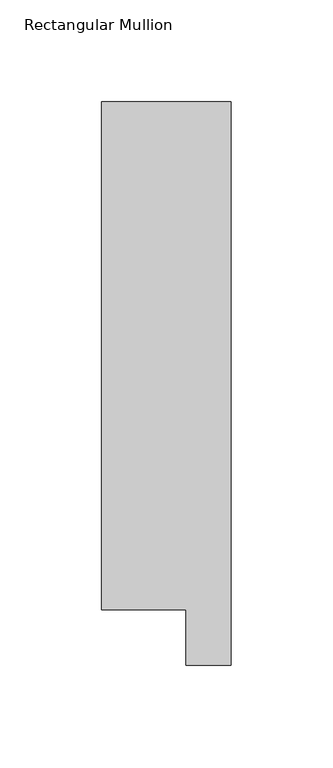
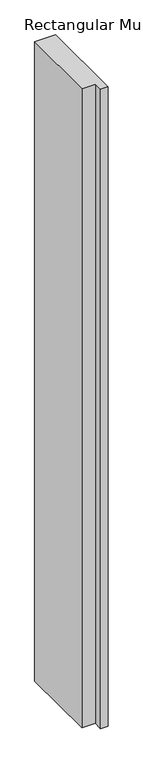
"""IFC4 building model written with IfcOpenShell, lengths in millimetres: member geometry, Rectangular Mullion."""

from ifc_helpers import new_model, si_unit, frame, origin, place, context, project, spatial, polyline, outline, extrude, source, transform, mapped, element, save


def rectangular_mullion_53fa507a(model_context):
    return source(origin(), model_context, "Body", "SweptSolid", [
        extrude(outline(polyline([(31.75, 295.9695313), (31.75, 19.5667312), (9.5377, 19.5667312), (9.5377, 46.7447302), (-31.75, 46.7447302), (-31.75, 295.9695313), (31.75, 295.9695313)])), frame((0.0, 0.0, -2057.3999967), z_axis=(0.0, 0.0, 1.0), x_axis=(1.0, 0.0, 0.0)), (0.0, 0.0, 1.0), 2057.3999967),
    ])


if __name__ == "__main__":
    model = new_model("IFC4")
    model_context = context("Model", 3, world=origin())
    ifc_project = project(units=[si_unit("LENGTHUNIT", "METRE", prefix="MILLI")], contexts=[model_context])
    site = spatial("IfcSite", under=ifc_project)
    building = spatial("IfcBuilding", under=site)
    placement = place(None, origin())
    rectangular_mullion_shape = rectangular_mullion_53fa507a(model_context)
    element("IfcMember", 1, ObjectType="Rectangular Mullion", at=placement, inside=building, context=model_context, shape_type="MappedRepresentation", body=[
        mapped(rectangular_mullion_shape, transform((0.0, 0.0, 0.0), x_axis=(1.0, 0.0, 0.0), y_axis=(0.0, 1.0, 0.0), z_axis=(0.0, 0.0, 1.0))),
    ])
    save(model, "model.ifc")
